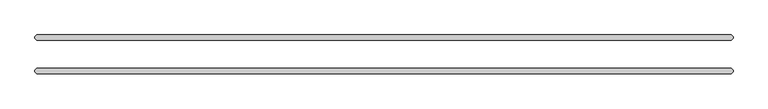
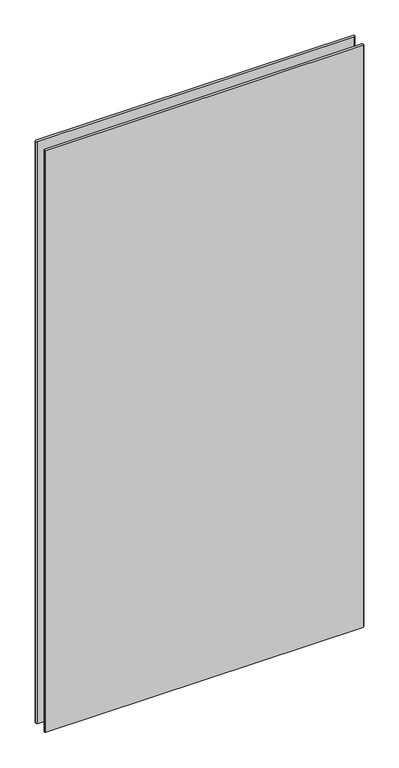
"""IFC4 building model written with IfcOpenShell, lengths in millimetres: plate geometry."""

from ifc_helpers import new_model, si_unit, origin, origin_with_axes, place, context, project, spatial, polyline, outline, extrude, source, transform, mapped, element, save


def plate_95631c7d(model_context):
    return source(origin(), model_context, "Body", "SweptSolid", [
        extrude(outline(polyline([(627.0625, 34.925), (630.2375, 31.75), (630.2375, 28.575), (627.0625, 25.4), (-627.0625, 25.4), (-630.2375, 28.575), (-630.2375, 31.75), (-627.0625, 34.925), (627.0625, 34.925)])), origin_with_axes(), (0.0, 0.0, 1.0), 2428.7789267),
        extrude(outline(polyline([(627.0625, -25.4), (630.2375, -28.575), (630.2375, -31.75), (627.0625, -34.925), (-627.0625, -34.925), (-630.2375, -31.75), (-630.2375, -28.575), (-627.0625, -25.4), (627.0625, -25.4)])), origin_with_axes(), (0.0, 0.0, 1.0), 2428.7789267),
    ])


if __name__ == "__main__":
    model = new_model("IFC4")
    model_context = context("Model", 3, world=origin())
    ifc_project = project(units=[si_unit("LENGTHUNIT", "METRE", prefix="MILLI")], contexts=[model_context])
    site = spatial("IfcSite", under=ifc_project)
    building = spatial("IfcBuilding", under=site)
    placement = place(None, origin())
    plate_shape = plate_95631c7d(model_context)
    element("IfcPlate", 1, at=placement, inside=building, context=model_context, shape_type="MappedRepresentation", body=[
        mapped(plate_shape, transform((0.0, 0.0, 0.0), x_axis=(1.0, 0.0, 0.0), y_axis=(0.0, 1.0, 0.0), z_axis=(0.0, 0.0, 1.0))),
    ])
    save(model, "model.ifc")
